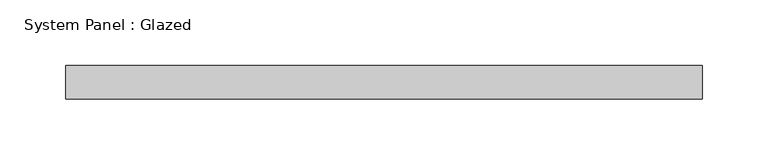
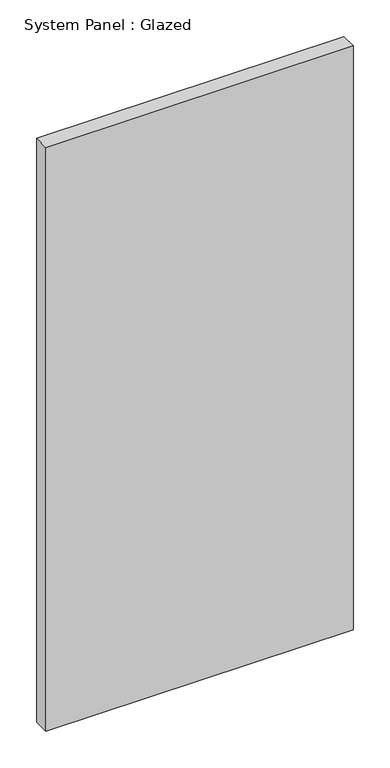
"""IFC4 building model written with IfcOpenShell, lengths in millimetres: plate geometry, System Panel : Glazed."""

import ifcopenshell
import ifcopenshell.guid

model = None  # the IFC model being written
_history = None  # IfcOwnerHistory: only IFC2X3 demands one
_inside = {}  # id of a spatial element -> (the spatial element, [elements in it])
_under = {}  # id of a project, library or spatial element -> (it, [spatial elements below it])
_declared = {}  # id of a project -> (the project, [libraries it declares])
_typed = {}  # id of a type object -> (the type object, [elements of that type])
_made_of = {}  # id of a material, layer set ... -> (it, [elements and type objects made of it])


def new_model(schema):
    """Start an empty IFC model of exactly this schema.

    Asked for "IFC4X3", IfcOpenShell would pick the latest addendum, in which some entities
    have other attributes; the version numbers below select the first issue.
    IFC2X3 requires an IfcOwnerHistory on every rooted entity: one is made here for all.
    """
    global model, _history
    if schema == "IFC4X3":
        model = ifcopenshell.file(schema_version=(4, 3, 0, 0))
    else:
        model = ifcopenshell.file(schema=schema)
    _inside.clear()
    _under.clear()
    _declared.clear()
    _typed.clear()
    _made_of.clear()
    _history = None
    if model.schema == "IFC2X3":
        org = make("IfcOrganization", Name="unknown")
        user = make(
            "IfcPersonAndOrganization",
            ThePerson=make("IfcPerson", FamilyName="unknown"),
            TheOrganization=org,
        )
        app = make(
            "IfcApplication",
            ApplicationDeveloper=org,
            Version="unknown",
            ApplicationFullName="unknown",
            ApplicationIdentifier="unknown",
        )
        _history = make(
            "IfcOwnerHistory",
            OwningUser=user,
            OwningApplication=app,
            ChangeAction="ADDED",
            CreationDate=0,
        )
    return model


def make(cls, **values):
    """One entity of the class cls with the attributes given. An attribute that is None is left unset."""
    return model.create_entity(
        cls, **{name: value for name, value in values.items() if value is not None}
    )


def rooted(cls, **values):
    """An entity with a GlobalId (a new one), such as an element, a storey or a relation."""
    return make(cls, GlobalId=ifcopenshell.guid.new(), OwnerHistory=_history, **values)


def si_unit(unit_type, name, prefix=None):
    """IfcSIUnit, for example si_unit("LENGTHUNIT", "METRE", prefix="MILLI")."""
    return make("IfcSIUnit", UnitType=unit_type, Prefix=prefix, Name=name)


def assignment(units):
    """IfcUnitAssignment: the units of a project."""
    return None if units is None else make("IfcUnitAssignment", Units=units)


def point(xyz):
    """IfcCartesianPoint."""
    return None if xyz is None else make("IfcCartesianPoint", Coordinates=xyz)


def direction(xyz):
    """IfcDirection."""
    return None if xyz is None else make("IfcDirection", DirectionRatios=xyz)


def frame(location, z_axis=None, x_axis=None):
    """IfcAxis2Placement3D, a coordinate frame: its origin and axes. An axis left out is left unset."""
    return make(
        "IfcAxis2Placement3D",
        Location=point(location),
        Axis=direction(z_axis),
        RefDirection=direction(x_axis),
    )


def origin():
    """The frame at (0, 0, 0) with its axes left unset."""
    return frame((0.0, 0.0, 0.0))


def origin_with_axes():
    """The frame at (0, 0, 0) with the z axis (0, 0, 1) and the x axis (1, 0, 0) written out."""
    return frame((0.0, 0.0, 0.0), z_axis=(0.0, 0.0, 1.0), x_axis=(1.0, 0.0, 0.0))


def place(relative_to, where):
    """IfcLocalPlacement: puts the frame where relative to a parent placement (None: the world)."""
    return make(
        "IfcLocalPlacement", PlacementRelTo=relative_to, RelativePlacement=where
    )


def context(
    kind, dimensions, precision=None, world=None, true_north=None, identifier=None
):
    """IfcGeometricRepresentationContext, for example the 3D "Model" context."""
    return make(
        "IfcGeometricRepresentationContext",
        ContextIdentifier=identifier,
        ContextType=kind,
        CoordinateSpaceDimension=dimensions,
        Precision=precision,
        WorldCoordinateSystem=world,
        TrueNorth=true_north,
    )


def project(units=None, contexts=None):
    """IfcProject with its units and contexts."""
    return rooted(
        "IfcProject",
        Name="project",
        RepresentationContexts=contexts,
        UnitsInContext=assignment(units),
    )


def spatial(cls, under=None, at=None, **own):
    """A site, building, storey or space (cls), placed at a placement, below another one or the project."""
    s = rooted(cls, ObjectPlacement=at, **own)
    if under is not None:
        _under.setdefault(under.id(), (under, []))[1].append(s)
    return s


def polyline(points):
    """IfcPolyline through the points."""
    return make("IfcPolyline", Points=[point(p) for p in points])


def outline(outer, holes=None, kind="AREA"):
    """IfcArbitraryClosedProfileDef: a profile drawn as a closed curve; with holes, ...WithVoids."""
    if holes is None:
        return make("IfcArbitraryClosedProfileDef", ProfileType=kind, OuterCurve=outer)
    return make(
        "IfcArbitraryProfileDefWithVoids",
        ProfileType=kind,
        OuterCurve=outer,
        InnerCurves=holes,
    )


def extrude(swept, where, along, depth):
    """IfcExtrudedAreaSolid: the profile swept, set in the frame where, extruded along a direction by depth."""
    return make(
        "IfcExtrudedAreaSolid",
        SweptArea=swept,
        Position=where,
        ExtrudedDirection=direction(along),
        Depth=depth,
    )


def shape(context_of_items, identifier, shape_type, items):
    """IfcShapeRepresentation: the items that make up one representation, for example the "Body"."""
    return make(
        "IfcShapeRepresentation",
        ContextOfItems=context_of_items,
        RepresentationIdentifier=identifier,
        RepresentationType=shape_type,
        Items=items,
    )


def source(mapping_origin, context_of_items, identifier, shape_type, items):
    """IfcRepresentationMap: a shape defined once, which mapped items show again and again."""
    return make(
        "IfcRepresentationMap",
        MappingOrigin=mapping_origin,
        MappedRepresentation=shape(context_of_items, identifier, shape_type, items),
    )


def transform(
    local_origin,
    x_axis=None,
    y_axis=None,
    z_axis=None,
    scale=None,
    scale2=None,
    scale3=None,
    uniform=True,
):
    """IfcCartesianTransformationOperator3D, or its non-uniform kind. x_axis, y_axis, z_axis: its Axis1, 2, 3."""
    if uniform:
        return make(
            "IfcCartesianTransformationOperator3D",
            Axis1=direction(x_axis),
            Axis2=direction(y_axis),
            LocalOrigin=point(local_origin),
            Scale=scale,
            Axis3=direction(z_axis),
        )
    return make(
        "IfcCartesianTransformationOperator3DnonUniform",
        Axis1=direction(x_axis),
        Axis2=direction(y_axis),
        LocalOrigin=point(local_origin),
        Scale=scale,
        Axis3=direction(z_axis),
        Scale2=scale2,
        Scale3=scale3,
    )


def mapped(mapping_source, mapping_target):
    """IfcMappedItem: shows the shape of a source again, moved by a transform."""
    return make(
        "IfcMappedItem", MappingSource=mapping_source, MappingTarget=mapping_target
    )


def made_of(thing, what):
    """Note that an element or type object is made of a material, layer set ...; save() writes the relation."""
    if what is not None:
        _made_of.setdefault(what.id(), (what, []))[1].append(thing)
    return thing


def element(
    cls,
    number,
    at=None,
    inside=None,
    cuts=None,
    type_object=None,
    material=None,
    context=None,
    identifier="Body",
    shape_type=None,
    held_by="IfcProductDefinitionShape",
    body=None,
    shapes=None,
    **own,
):
    """One element of the class cls, such as IfcWall. Its Tag is "e" and its number.

    at: its placement. inside: the storey or other place that contains it. cuts: it is an
    opening in that element (IfcRelVoidsElement). A single representation is given by context,
    identifier, shape_type and body (its items); several are given by shapes. held_by: the class
    of the entity that holds the representations. save() writes the other relations.
    """
    e = rooted(cls, Tag="e%d" % number, ObjectPlacement=at, **own)
    if body is not None:
        shapes = [shape(context, identifier, shape_type, body)]
    if shapes is not None:
        e.Representation = make(held_by, Representations=shapes)
    if inside is not None:
        _inside.setdefault(inside.id(), (inside, []))[1].append(e)
    if cuts is not None:
        rooted(
            "IfcRelVoidsElement", RelatingBuildingElement=cuts, RelatedOpeningElement=e
        )
    if type_object is not None:
        _typed.setdefault(type_object.id(), (type_object, []))[1].append(e)
    return made_of(e, material)


def aggregate(whole, parts):
    """IfcRelAggregates: a whole, such as a stair, and the parts it consists of."""
    return rooted("IfcRelAggregates", RelatingObject=whole, RelatedObjects=parts)


def save(model, path):
    """Write the relations noted so far, then the file.

    IfcRelAggregates (storeys below a building ...), IfcRelContainedInSpatialStructure (elements
    in a storey), IfcRelDefinesByType, IfcRelAssociatesMaterial and IfcRelDeclares: one each for
    every whole, place, type object, material and project.
    """
    for whole, parts in _under.values():
        aggregate(whole, parts)
    for where, things in _inside.values():
        rooted(
            "IfcRelContainedInSpatialStructure",
            RelatedElements=things,
            RelatingStructure=where,
        )
    for kind, things in _typed.values():
        rooted("IfcRelDefinesByType", RelatedObjects=things, RelatingType=kind)
    for what, things in _made_of.values():
        rooted("IfcRelAssociatesMaterial", RelatedObjects=things, RelatingMaterial=what)
    for by, libraries in _declared.values():
        rooted("IfcRelDeclares", RelatingContext=by, RelatedDefinitions=libraries)
    model.write(path)


def system_panel_glazed_cdc7b9c0(model_context):
    return source(origin(), model_context, "Body", "SweptSolid", [
        extrude(outline(polyline([(241.9362502, 19.05), (-241.9362502, 19.05), (-241.9362502, 44.45), (241.9362502, 44.45), (241.9362502, 19.05)])), origin_with_axes(), (0.0, 0.0, 1.0), 971.55),
    ])


if __name__ == "__main__":
    model = new_model("IFC4")
    model_context = context("Model", 3, world=origin())
    ifc_project = project(units=[si_unit("LENGTHUNIT", "METRE", prefix="MILLI")], contexts=[model_context])
    site = spatial("IfcSite", under=ifc_project)
    building = spatial("IfcBuilding", under=site)
    placement = place(None, origin())
    system_panel_glazed_shape = system_panel_glazed_cdc7b9c0(model_context)
    element("IfcPlate", 1, ObjectType="System Panel : Glazed", at=placement, inside=building, context=model_context, shape_type="MappedRepresentation", body=[
        mapped(system_panel_glazed_shape, transform((0.0, 0.0, 0.0), x_axis=(1.0, 0.0, 0.0), y_axis=(0.0, 1.0, 0.0), z_axis=(0.0, 0.0, 1.0))),
    ])
    save(model, "model.ifc")
